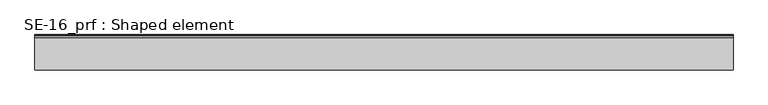
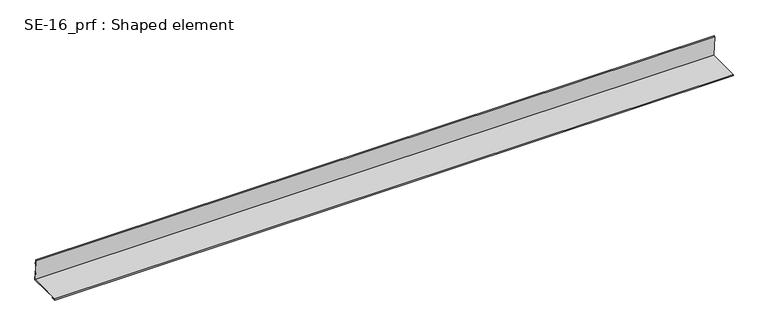
"""IFC4 building model written with IfcOpenShell, lengths in millimetres: proxy geometry, SE-16_prf : Shaped element."""

from ifc_helpers import new_model, si_unit, frame, origin, place, context, project, spatial, polyline, outline, extrude, source, transform, mapped, element, save


def se_16_prf_shaped_element_a5fe363c(model_context):
    return source(origin(), model_context, "Body", "SweptSolid", [
        extrude(outline(polyline([(-75.0275414, 2.0), (-85.0275414, 2.0), (-85.0275414, 5.0), (-5.0275414, 5.0), (-10.2539646, 54.7260948), (-7.2703989, 55.0396802), (-6.2251142, 45.0944612), (-7.2196361, 44.9899327), (-8.1603923, 53.9406298), (-9.1549142, 53.8361013), (-3.9169289, 4.0), (-84.0275414, 4.0), (-84.0275414, 3.0), (-75.0275414, 3.0), (-75.0275414, 2.0)])), frame((0.0, 0.0, 0.0), z_axis=(1.0, 0.0, 0.0), x_axis=(0.0, 1.0, 0.0)), (0.0, 0.0, 1.0), 1600.0),
    ])


if __name__ == "__main__":
    model = new_model("IFC4")
    model_context = context("Model", 3, world=origin())
    ifc_project = project(units=[si_unit("LENGTHUNIT", "METRE", prefix="MILLI")], contexts=[model_context])
    site = spatial("IfcSite", under=ifc_project)
    building = spatial("IfcBuilding", under=site)
    placement = place(None, origin())
    se_16_prf_shaped_element_shape = se_16_prf_shaped_element_a5fe363c(model_context)
    element("IfcBuildingElementProxy", 1, Name="SE-16_prf : Shaped element", ObjectType="SE-16_prf : Shaped element", at=placement, inside=building, context=model_context, shape_type="MappedRepresentation", body=[
        mapped(se_16_prf_shaped_element_shape, transform((0.0, 0.0, 0.0), x_axis=(1.0, 0.0, 0.0), y_axis=(0.0, 1.0, 0.0), z_axis=(0.0, 0.0, 1.0))),
    ])
    save(model, "model.ifc")
